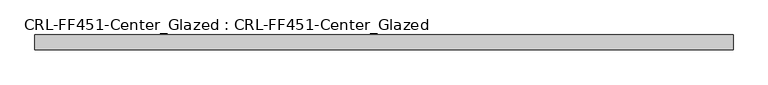
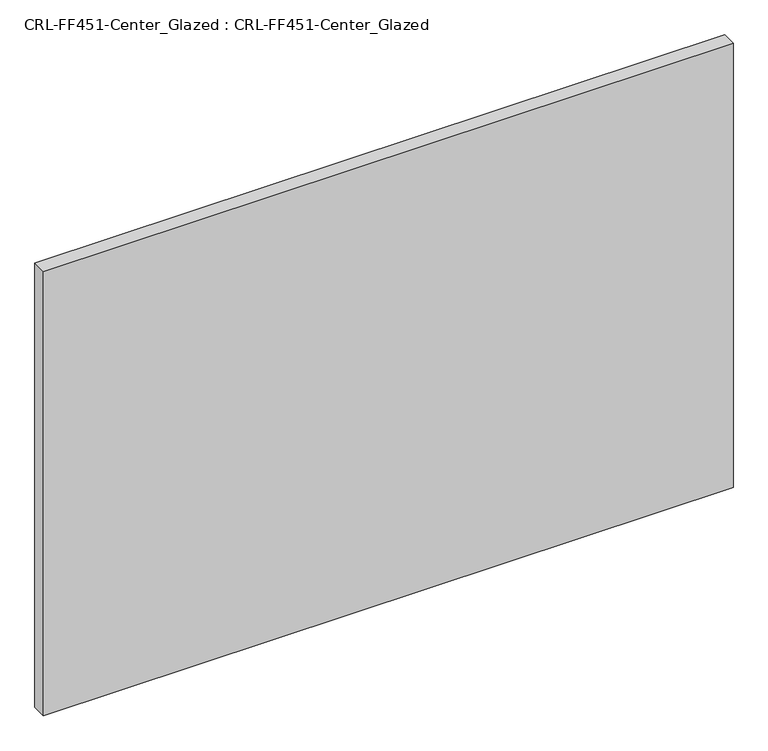
"""IFC4 building model written with IfcOpenShell, lengths in millimetres: plate geometry, CRL-FF451-Center_Glazed : CRL-FF451-Center_Glazed."""

from ifc_helpers import new_model, si_unit, origin, origin_with_axes, place, context, project, spatial, polyline, outline, extrude, source, transform, mapped, element, save


def crl_ff451_center_glazed_crl_ff451_center_glazed_8f0ae90b(model_context):
    return source(origin(), model_context, "Body", "SweptSolid", [
        extrude(outline(polyline([(-597.9565746, -12.709956), (-597.9565746, 12.709956), (597.9565746, 12.709956), (597.9565746, -12.709956), (-597.9565746, -12.709956)])), origin_with_axes(), (0.0, 0.0, 1.0), 815.1595339),
    ])


if __name__ == "__main__":
    model = new_model("IFC4")
    model_context = context("Model", 3, world=origin())
    ifc_project = project(units=[si_unit("LENGTHUNIT", "METRE", prefix="MILLI")], contexts=[model_context])
    site = spatial("IfcSite", under=ifc_project)
    building = spatial("IfcBuilding", under=site)
    placement = place(None, origin())
    crl_ff451_center_glazed_crl_ff451_center_glazed_shape = crl_ff451_center_glazed_crl_ff451_center_glazed_8f0ae90b(model_context)
    element("IfcPlate", 1, ObjectType="CRL-FF451-Center_Glazed : CRL-FF451-Center_Glazed", at=placement, inside=building, context=model_context, shape_type="MappedRepresentation", body=[
        mapped(crl_ff451_center_glazed_crl_ff451_center_glazed_shape, transform((0.0, 0.0, 0.0), x_axis=(1.0, 0.0, 0.0), y_axis=(0.0, 1.0, 0.0), z_axis=(0.0, 0.0, 1.0))),
    ])
    save(model, "model.ifc")
